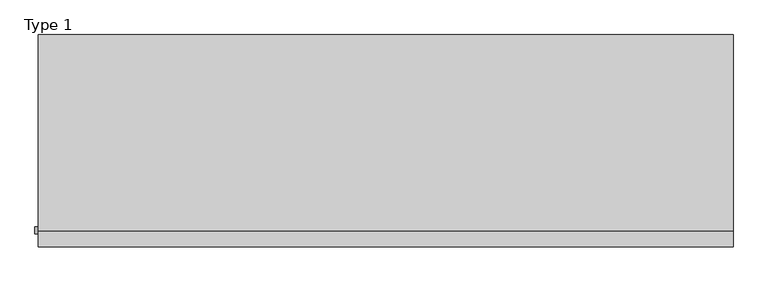
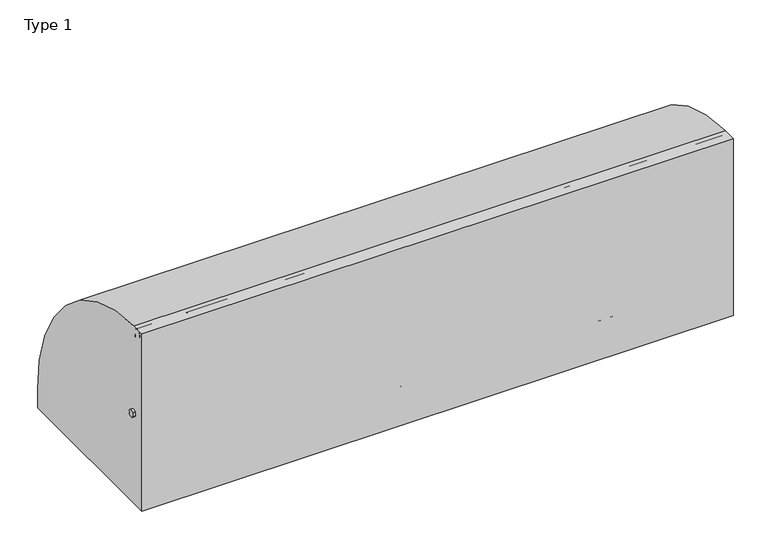
"""IFC4 building model written with IfcOpenShell, lengths in millimetres: railing geometry, Type 1."""

from ifc_helpers import new_model, si_unit, point, frame, frame_2d, origin, place, context, project, spatial, polyline, circle_curve, trimmed, segment, composite_curve, outline, extrude, source, transform, mapped, element, save
from ifc_brep_helpers import plane_surface, cylinder_surface, revolved_surface, advanced_brep


def type_1_a2499a73(model_context):
    return source(origin(), model_context, "Body", "SolidModel", [
        extrude(outline(composite_curve([segment(polyline([(-824.2, 1050.0), (-747.6546144, 1050.0)]), True, "CONTINUOUS"), segment(trimmed(circle_curve(frame_2d((-754.8273072, 108.0)), 942.0273072), [point((-747.6546144, 1050.0))], [point((187.2, 108.0))], False, "CARTESIAN"), True, "CONTINUOUS"), segment(polyline([(187.2, 108.0), (187.2, 0.0), (-824.2, 0.0), (-824.2, 1050.0)]), True, "CONTINUOUS")], self_intersect=False)), frame((-395.0, 0.0, 0.0), z_axis=(1.0, 0.0, 0.0), x_axis=(0.0, 1.0, 0.0)), (0.0, 0.0, 1.0), 3310.4852492),
        extrude(outline(composite_curve([segment(trimmed(circle_curve(frame_2d((-746.287505, 538.0)), 20.0), [point((-727.7, 530.617273))], [point((-762.0, 525.6259343))], False, "CARTESIAN"), True, "CONTINUOUS"), segment(polyline([(-762.0, 525.6259343), (-762.0, 550.3740657)]), True, "CONTINUOUS"), segment(trimmed(circle_curve(frame_2d((-746.287505, 538.0)), 20.0), [point((-762.0, 550.3740657))], [point((-727.7, 545.382727))], False, "CARTESIAN"), True, "CONTINUOUS"), segment(polyline([(-727.7, 545.382727), (-731.7, 545.382727), (-731.7, 530.617273), (-727.7, 530.617273)]), True, "CONTINUOUS")], self_intersect=False)), frame((-410.0, 0.0, 0.0), z_axis=(1.0, 0.0, 0.0), x_axis=(0.0, 1.0, 0.0)), (0.0, 0.0, 1.0), 3325.4852492),
        extrude(outline(composite_curve([segment(trimmed(circle_curve(frame_2d((-781.0, 1025.0)), 25.0), [point((-802.0, 1011.43534))], [point((-760.0, 1011.43534))], False, "CARTESIAN"), True, "CONTINUOUS"), segment(polyline([(-760.0, 1011.43534), (-760.0, 993.0), (-761.0, 993.0), (-761.0, 1008.0), (-801.0, 1008.0), (-801.0, 993.0), (-802.0, 993.0), (-802.0, 1011.43534)]), True, "CONTINUOUS")], self_intersect=False)), frame((-395.0, 0.0, 0.0), z_axis=(1.0, 0.0, 0.0), x_axis=(0.0, 1.0, 0.0)), (0.0, 0.0, 1.0), 3310.4852492),
        extrude(outline(composite_curve([segment(polyline([(-800.0, 185.0), (-767.1999123, 185.0)]), True, "CONTINUOUS"), segment(trimmed(circle_curve(frame_2d((-767.1999123, 112.1212122)), 72.8787879), [point((-767.1999123, 185.0))], [point((-715.6668272, 163.6542973))], False, "CARTESIAN"), True, "CONTINUOUS"), segment(polyline([(-715.6668272, 163.6542973), (-601.4657725, 49.4532425)]), True, "CONTINUOUS"), segment(trimmed(circle_curve(frame_2d((-609.3939394, 41.5250756)), 11.2121212), [point((-601.4657725, 49.4532425))], [point((-598.1818182, 41.5250756))], False, "CARTESIAN"), True, "CONTINUOUS"), segment(polyline([(-598.1818182, 41.5250756), (-598.1818182, 0.0), (-800.0, 0.0), (-800.0, 185.0)]), True, "CONTINUOUS")], self_intersect=False), holes=[composite_curve([segment(trimmed(circle_curve(frame_2d((-705.7014901, 93.0361975)), 5.6060606), [point((-711.3075507, 93.0361975))], [point((-700.0954295, 93.0361975))], True, "CARTESIAN"), True, "CONTINUOUS"), segment(trimmed(circle_curve(frame_2d((-778.6969697, 93.0361975)), 78.6015402), [point((-700.0954295, 93.0361975))], [point((-778.6969697, 171.6377377))], True, "CARTESIAN"), True, "CONTINUOUS"), segment(trimmed(circle_curve(frame_2d((-778.6969697, 166.0316771)), 5.6060606), [point((-778.6969697, 171.6377377))], [point((-784.3030303, 166.0316771))], True, "CARTESIAN"), True, "CONTINUOUS"), segment(polyline([(-784.3030303, 166.0316771), (-784.3030303, 143.5676849)]), True, "CONTINUOUS"), segment(trimmed(circle_curve(frame_2d((-778.6969697, 143.5676849)), 5.6060606), [point((-784.3030303, 143.5676849))], [point((-773.0909091, 143.5676849))], True, "CARTESIAN"), True, "CONTINUOUS"), segment(polyline([(-773.0909091, 143.5676849), (-773.0909091, 157.7293747)]), True, "CONTINUOUS"), segment(trimmed(circle_curve(frame_2d((-770.8668077, 157.7293747)), 2.2241014), [point((-773.0909091, 157.7293747))], [point((-770.5995631, 159.9373619))], False, "CARTESIAN"), True, "CONTINUOUS"), segment(trimmed(circle_curve(frame_2d((-778.6969697, 93.0361975)), 67.389419), [point((-770.5995631, 159.9373619))], [point((-711.3075507, 93.0361975))], False, "CARTESIAN"), True, "CONTINUOUS")], self_intersect=False)]), frame((1107.7426246, 0.0, 0.0), z_axis=(1.0, 0.0, 0.0), x_axis=(0.0, 1.0, 0.0)), (0.0, 0.0, 1.0), 2.5),
        advanced_brep(
        [(1175.2426246, -800.0, 185.0), (1175.2426246, -767.1999123, 185.0), (1175.2426246, -715.6668272, 163.6542973), (1175.2426246, -601.4657725, 49.4532425), (1175.2426246, -598.1818182, 41.5250756), (1175.2426246, -598.1818182, 0.0), (1175.2426246, -800.0, 0.0), (1175.2426246, -800.0, 100.9768515), (1175.2426246, -711.3075507, 93.0361975), (1175.2426246, -700.0954295, 93.0361975), (1175.2426246, -778.6969697, 171.6377377), (1175.2426246, -784.3030303, 166.0316771), (1175.2426246, -784.3030303, 143.5676849), (1175.2426246, -773.0909091, 143.5676849), (1175.2426246, -773.0909091, 157.7293747), (1175.2426246, -770.5995631, 159.9373619), (1177.7426246, -800.0, 0.0), (1177.7426246, -598.1818182, 0.0), (1177.7426246, -598.1818182, 41.5250756), (1177.7426246, -601.4657725, 49.4532425), (1177.7426246, -715.6668272, 163.6542973), (1177.7426246, -767.1999123, 185.0), (1177.7426246, -802.0, 185.0), (1177.7426246, -802.0, 100.9768515), (1177.7426246, -800.0, 100.9768515), (1177.7426246, -711.3075507, 93.0361975), (1177.7426246, -770.5995631, 159.9373619), (1177.7426246, -773.0909091, 157.7293747), (1177.7426246, -773.0909091, 143.5676849), (1177.7426246, -784.3030303, 143.5676849), (1177.7426246, -784.3030303, 166.0316771), (1177.7426246, -778.6969697, 171.6377377), (1177.7426246, -700.0954295, 93.0361975), (1107.7426246, -800.0, 185.0), (1107.7426246, -802.0, 185.0), (1107.7426246, -802.0, 100.9768515), (1107.7426246, -800.0, 100.9768515)],
        [
            (0, 1),
            (1, 2, circle_curve(frame((1175.2426246, -767.1999123, 112.1212122), z_axis=(-1.0, 0.0, 0.0), x_axis=(0.0, -1.0, 0.0)), 72.8787879)),
            (2, 3),
            (3, 4, circle_curve(frame((1175.2426246, -609.3939394, 41.5250756), z_axis=(-1.0, 0.0, 0.0), x_axis=(0.0, -1.0, 0.0)), 11.2121212)),
            (4, 5),
            (5, 6),
            (6, 7),
            (7, 0),
            (8, 9, circle_curve(frame((1175.2426246, -705.7014901, 93.0361975), z_axis=(1.0, 0.0, 0.0), x_axis=(0.0, -1.0, 0.0)), 5.6060606)),
            (9, 10, circle_curve(frame((1175.2426246, -778.6969697, 93.0361975), z_axis=(1.0, 0.0, 0.0), x_axis=(0.0, -1.0, 0.0)), 78.6015402)),
            (10, 11, circle_curve(frame((1175.2426246, -778.6969697, 166.0316771), z_axis=(1.0, 0.0, 0.0), x_axis=(0.0, -1.0, 0.0)), 5.6060606)),
            (11, 12),
            (12, 13, circle_curve(frame((1175.2426246, -778.6969697, 143.5676849), z_axis=(1.0, 0.0, 0.0), x_axis=(0.0, -1.0, 0.0)), 5.6060606)),
            (13, 14),
            (14, 15, circle_curve(frame((1175.2426246, -770.8668077, 157.7293747), z_axis=(-1.0, 0.0, 0.0), x_axis=(0.0, -1.0, 0.0)), 2.2241014)),
            (15, 8, circle_curve(frame((1175.2426246, -778.6969697, 93.0361975), z_axis=(-1.0, 0.0, 0.0), x_axis=(0.0, -1.0, 0.0)), 67.389419)),
            (16, 17),
            (17, 18),
            (18, 19, circle_curve(frame((1177.7426246, -609.3939394, 41.5250756), z_axis=(1.0, 0.0, 0.0), x_axis=(0.0, -1.0, 0.0)), 11.2121212)),
            (19, 20),
            (20, 21, circle_curve(frame((1177.7426246, -767.1999123, 112.1212122), z_axis=(1.0, 0.0, 0.0), x_axis=(0.0, -1.0, 0.0)), 72.8787879)),
            (21, 22),
            (22, 23),
            (23, 24),
            (24, 16),
            (25, 26, circle_curve(frame((1177.7426246, -778.6969697, 93.0361975), z_axis=(1.0, 0.0, 0.0), x_axis=(0.0, -1.0, 0.0)), 67.389419)),
            (26, 27, circle_curve(frame((1177.7426246, -770.8668077, 157.7293747), z_axis=(1.0, 0.0, 0.0), x_axis=(0.0, -1.0, 0.0)), 2.2241014)),
            (27, 28),
            (28, 29, circle_curve(frame((1177.7426246, -778.6969697, 143.5676849), z_axis=(-1.0, 0.0, 0.0), x_axis=(0.0, -1.0, 0.0)), 5.6060606)),
            (29, 30),
            (30, 31, circle_curve(frame((1177.7426246, -778.6969697, 166.0316771), z_axis=(-1.0, 0.0, 0.0), x_axis=(0.0, -1.0, 0.0)), 5.6060606)),
            (31, 32, circle_curve(frame((1177.7426246, -778.6969697, 93.0361975), z_axis=(-1.0, 0.0, 0.0), x_axis=(0.0, -1.0, 0.0)), 78.6015402)),
            (32, 25, circle_curve(frame((1177.7426246, -705.7014901, 93.0361975), z_axis=(-1.0, 0.0, 0.0), x_axis=(0.0, -1.0, 0.0)), 5.6060606)),
            (0, 33),
            (33, 34),
            (34, 22),
            (21, 1),
            (20, 2),
            (19, 3),
            (18, 4),
            (17, 5),
            (16, 6),
            (24, 7),
            (8, 25),
            (32, 9),
            (31, 10),
            (30, 11),
            (15, 26),
            (29, 12),
            (28, 13),
            (27, 14),
            (34, 35),
            (35, 23),
            (36, 33),
            (7, 36),
            (36, 35),
        ],
        [
            plane_surface(frame((1175.2426246, -798.2270223, 185.0), z_axis=(-1.0, 0.0, 0.0), x_axis=(0.0, 1.0, 0.0))),
            plane_surface(frame((1177.7426246, -798.2270223, 185.0), z_axis=(1.0, 0.0, 0.0), x_axis=(0.0, -1.0, 0.0))),
            plane_surface(frame((1175.2426246, -800.0, 185.0), z_axis=(0.0, 0.0, 1.0), x_axis=(1.0, 0.0, 0.0))),
            cylinder_surface(frame((1177.7426246, -767.1999123, 112.1212122), z_axis=(-1.0, 0.0, 0.0), x_axis=(0.0, -1.0, 0.0)), 72.8787879),
            plane_surface(frame((1175.2426246, -715.6668272, 163.6542973), z_axis=(0.0, 0.7071067811865421, 0.7071067811865529), x_axis=(1.0, 0.0, 0.0))),
            cylinder_surface(frame((1177.7426246, -609.3939394, 41.5250756), z_axis=(-1.0, 0.0, 0.0), x_axis=(0.0, -1.0, 0.0)), 11.2121212),
            plane_surface(frame((1175.2426246, -598.1818182, 41.5250756), z_axis=(0.0, 1.0, 0.0), x_axis=(1.0, 0.0, 0.0))),
            plane_surface(frame((1175.2426246, -598.1818182, 0.0), z_axis=(0.0, 0.0, -1.0), x_axis=(1.0, 0.0, 0.0))),
            plane_surface(frame((1175.2426246, -800.0, 0.0), z_axis=(0.0, -1.0, 0.0), x_axis=(1.0, 0.0, 0.0))),
            revolved_surface(polyline([(1177.7426246, -711.3075507, 93.0361975), (1175.2426246, -711.3075507, 93.0361975)]), (1177.7426246, -705.7014901, 93.0361975), (1.0, 0.0, 0.0)),
            revolved_surface(polyline([(1177.7426246, -857.2985099, 93.0361975), (1175.2426246, -857.2985099, 93.0361975)]), (1177.7426246, -778.6969697, 93.0361975), (1.0, 0.0, 0.0)),
            revolved_surface(polyline([(1177.7426246, -784.3030302999999, 166.0316771), (1175.2426246, -784.3030302999999, 166.0316771)]), (1177.7426246, -778.6969697, 166.0316771), (1.0, 0.0, 0.0)),
            cylinder_surface(frame((1177.7426246, -778.6969697, 93.0361975), z_axis=(-1.0, 0.0, 0.0), x_axis=(0.0, -1.0, 0.0)), 67.389419),
            plane_surface(frame((1175.2426246, -784.3030303, 166.0316771), z_axis=(0.0, 1.0, 0.0), x_axis=(1.0, 0.0, 0.0))),
            revolved_surface(polyline([(1177.7426246, -784.3030302999999, 143.5676849), (1175.2426246, -784.3030302999999, 143.5676849)]), (1177.7426246, -778.6969697, 143.5676849), (1.0, 0.0, 0.0)),
            plane_surface(frame((1175.2426246, -773.0909091, 143.5676849), z_axis=(0.0, -1.0, 0.0), x_axis=(1.0, 0.0, 0.0))),
            cylinder_surface(frame((1177.7426246, -770.8668077, 157.7293747), z_axis=(-1.0, 0.0, 0.0), x_axis=(0.0, -1.0, 0.0)), 2.2241014),
            plane_surface(frame((1107.7426246, -802.0, 185.0), z_axis=(0.0, -1.0, 0.0), x_axis=(-1.0, 0.0, 0.0))),
            plane_surface(frame((1107.7426246, -800.0, 185.0), z_axis=(0.0, 1.0, 0.0), x_axis=(1.0, 0.0, 0.0))),
            plane_surface(frame((1107.7426246, -802.0, 185.0), z_axis=(-1.0, 0.0, 0.0), x_axis=(0.0, 1.0, 0.0))),
            plane_surface(frame((1107.7426246, -802.0, 100.9768515), z_axis=(0.0, 0.0, -1.0), x_axis=(0.0, 1.0, 0.0))),
        ],
        [
            (0, [[1, 2, 3, 4, 5, 6, 7, 8], [9, 10, 11, 12, 13, 14, 15, 16]]),
            (1, [[17, 18, 19, 20, 21, 22, 23, 24, 25], [26, 27, 28, 29, 30, 31, 32, 33]]),
            (2, [[-1, 34, 35, 36, -22, 37]]),
            (3, [[-2, -37, -21, 38]]),
            (4, [[-3, -38, -20, 39]]),
            (5, [[-4, -39, -19, 40]]),
            (6, [[-5, -40, -18, 41]]),
            (7, [[-6, -41, -17, 42]]),
            (8, [[-42, -25, 43, -7]]),
            (9, [[-9, 44, -33, 45]]),
            (10, [[-10, -45, -32, 46]]),
            (11, [[-11, -46, -31, 47]]),
            (12, [[-16, 48, -26, -44]]),
            (13, [[-12, -47, -30, 49]]),
            (14, [[-13, -49, -29, 50]]),
            (15, [[-14, -50, -28, 51]]),
            (16, [[-15, -51, -27, -48]]),
            (17, [[-36, 52, 53, -23]]),
            (18, [[54, -34, -8, 55]]),
            (19, [[-52, -35, -54, 56]]),
            (20, [[-53, -56, -55, -43, -24]]),
        ],
    ),
        extrude(outline(composite_curve([segment(trimmed(circle_curve(frame_2d((1119.7426246, -795.0)), 5.0), [point((1119.7426246, -800.0))], [point((1114.7426246, -795.0))], False, "CARTESIAN"), True, "CONTINUOUS"), segment(polyline([(1114.7426246, -795.0), (1114.7426246, -767.0)]), True, "CONTINUOUS"), segment(trimmed(circle_curve(frame_2d((1119.7426246, -767.0)), 5.0), [point((1114.7426246, -767.0))], [point((1119.7426246, -762.0))], False, "CARTESIAN"), True, "CONTINUOUS"), segment(polyline([(1119.7426246, -762.0), (1165.7426246, -762.0)]), True, "CONTINUOUS"), segment(trimmed(circle_curve(frame_2d((1165.7426246, -767.0)), 5.0), [point((1165.7426246, -762.0))], [point((1170.7426246, -767.0))], False, "CARTESIAN"), True, "CONTINUOUS"), segment(polyline([(1170.7426246, -767.0), (1170.7426246, -795.0)]), True, "CONTINUOUS"), segment(trimmed(circle_curve(frame_2d((1165.7426246, -795.0)), 5.0), [point((1170.7426246, -795.0))], [point((1165.7426246, -800.0))], False, "CARTESIAN"), True, "CONTINUOUS"), segment(polyline([(1165.7426246, -800.0), (1119.7426246, -800.0)]), True, "CONTINUOUS")], self_intersect=False)), frame((0.0, 0.0, 43.0), z_axis=(0.0, 0.0, 1.0), x_axis=(1.0, 0.0, 0.0)), (0.0, 0.0, 1.0), 965.0),
        extrude(outline(composite_curve([segment(polyline([(0.0, 1175.2426246), (36.5, 1175.2426246)]), True, "CONTINUOUS"), segment(trimmed(circle_curve(frame_2d((36.5, 1173.7426246)), 1.5), [point((36.5, 1175.2426246))], [point((36.5, 1172.2426246))], False, "CARTESIAN"), True, "CONTINUOUS"), segment(polyline([(36.5, 1172.2426246), (3.0, 1172.2426246), (3.0, 1113.2426246), (36.5, 1113.2426246)]), True, "CONTINUOUS"), segment(trimmed(circle_curve(frame_2d((36.5, 1111.7426246)), 1.5), [point((36.5, 1113.2426246))], [point((36.5, 1110.2426246))], False, "CARTESIAN"), True, "CONTINUOUS"), segment(polyline([(36.5, 1110.2426246), (0.0, 1110.2426246), (0.0, 1175.2426246)]), True, "CONTINUOUS")], self_intersect=False)), frame((0.0, -800.0, 0.0), z_axis=(0.0, 1.0, 0.0), x_axis=(0.0, 0.0, 1.0)), (0.0, 0.0, 1.0), 800.0),
        extrude(outline(composite_curve([segment(polyline([(-800.0, 185.0), (-767.1999123, 185.0)]), True, "CONTINUOUS"), segment(trimmed(circle_curve(frame_2d((-767.1999123, 112.1212122)), 72.8787879), [point((-767.1999123, 185.0))], [point((-715.6668272, 163.6542973))], False, "CARTESIAN"), True, "CONTINUOUS"), segment(polyline([(-715.6668272, 163.6542973), (-601.4657725, 49.4532425)]), True, "CONTINUOUS"), segment(trimmed(circle_curve(frame_2d((-609.3939394, 41.5250756)), 11.2121212), [point((-601.4657725, 49.4532425))], [point((-598.1818182, 41.5250756))], False, "CARTESIAN"), True, "CONTINUOUS"), segment(polyline([(-598.1818182, 41.5250756), (-598.1818182, 0.0), (-800.0, 0.0), (-800.0, 185.0)]), True, "CONTINUOUS")], self_intersect=False), holes=[composite_curve([segment(trimmed(circle_curve(frame_2d((-705.7014901, 93.0361975)), 5.6060606), [point((-711.3075507, 93.0361975))], [point((-700.0954295, 93.0361975))], True, "CARTESIAN"), True, "CONTINUOUS"), segment(trimmed(circle_curve(frame_2d((-778.6969697, 93.0361975)), 78.6015402), [point((-700.0954295, 93.0361975))], [point((-778.6969697, 171.6377377))], True, "CARTESIAN"), True, "CONTINUOUS"), segment(trimmed(circle_curve(frame_2d((-778.6969697, 166.0316771)), 5.6060606), [point((-778.6969697, 171.6377377))], [point((-784.3030303, 166.0316771))], True, "CARTESIAN"), True, "CONTINUOUS"), segment(polyline([(-784.3030303, 166.0316771), (-784.3030303, 143.5676849)]), True, "CONTINUOUS"), segment(trimmed(circle_curve(frame_2d((-778.6969697, 143.5676849)), 5.6060606), [point((-784.3030303, 143.5676849))], [point((-773.0909091, 143.5676849))], True, "CARTESIAN"), True, "CONTINUOUS"), segment(polyline([(-773.0909091, 143.5676849), (-773.0909091, 157.7293747)]), True, "CONTINUOUS"), segment(trimmed(circle_curve(frame_2d((-770.8668077, 157.7293747)), 2.2241014), [point((-773.0909091, 157.7293747))], [point((-770.5995631, 159.9373619))], False, "CARTESIAN"), True, "CONTINUOUS"), segment(trimmed(circle_curve(frame_2d((-778.6969697, 93.0361975)), 67.389419), [point((-770.5995631, 159.9373619))], [point((-711.3075507, 93.0361975))], False, "CARTESIAN"), True, "CONTINUOUS")], self_intersect=False)]), frame((2222.4852492, 0.0, 0.0), z_axis=(1.0, 0.0, 0.0), x_axis=(0.0, 1.0, 0.0)), (0.0, 0.0, 1.0), 2.5),
        advanced_brep(
        [(2289.9852492, -800.0, 185.0), (2289.9852492, -767.1999123, 185.0), (2289.9852492, -715.6668272, 163.6542973), (2289.9852492, -601.4657725, 49.4532425), (2289.9852492, -598.1818182, 41.5250756), (2289.9852492, -598.1818182, 0.0), (2289.9852492, -800.0, 0.0), (2289.9852492, -800.0, 100.9768515), (2289.9852492, -711.3075507, 93.0361975), (2289.9852492, -700.0954295, 93.0361975), (2289.9852492, -778.6969697, 171.6377377), (2289.9852492, -784.3030303, 166.0316771), (2289.9852492, -784.3030303, 143.5676849), (2289.9852492, -773.0909091, 143.5676849), (2289.9852492, -773.0909091, 157.7293747), (2289.9852492, -770.5995631, 159.9373619), (2292.4852492, -800.0, 0.0), (2292.4852492, -598.1818182, 0.0), (2292.4852492, -598.1818182, 41.5250756), (2292.4852492, -601.4657725, 49.4532425), (2292.4852492, -715.6668272, 163.6542973), (2292.4852492, -767.1999123, 185.0), (2292.4852492, -802.0, 185.0), (2292.4852492, -802.0, 100.9768515), (2292.4852492, -800.0, 100.9768515), (2292.4852492, -711.3075507, 93.0361975), (2292.4852492, -770.5995631, 159.9373619), (2292.4852492, -773.0909091, 157.7293747), (2292.4852492, -773.0909091, 143.5676849), (2292.4852492, -784.3030303, 143.5676849), (2292.4852492, -784.3030303, 166.0316771), (2292.4852492, -778.6969697, 171.6377377), (2292.4852492, -700.0954295, 93.0361975), (2222.4852492, -800.0, 185.0), (2222.4852492, -802.0, 185.0), (2222.4852492, -802.0, 100.9768515), (2222.4852492, -800.0, 100.9768515)],
        [
            (0, 1),
            (1, 2, circle_curve(frame((2289.9852492, -767.1999123, 112.1212122), z_axis=(-1.0, 0.0, 0.0), x_axis=(0.0, -1.0, 0.0)), 72.8787879)),
            (2, 3),
            (3, 4, circle_curve(frame((2289.9852492, -609.3939394, 41.5250756), z_axis=(-1.0, 0.0, 0.0), x_axis=(0.0, -1.0, 0.0)), 11.2121212)),
            (4, 5),
            (5, 6),
            (6, 7),
            (7, 0),
            (8, 9, circle_curve(frame((2289.9852492, -705.7014901, 93.0361975), z_axis=(1.0, 0.0, 0.0), x_axis=(0.0, -1.0, 0.0)), 5.6060606)),
            (9, 10, circle_curve(frame((2289.9852492, -778.6969697, 93.0361975), z_axis=(1.0, 0.0, 0.0), x_axis=(0.0, -1.0, 0.0)), 78.6015402)),
            (10, 11, circle_curve(frame((2289.9852492, -778.6969697, 166.0316771), z_axis=(1.0, 0.0, 0.0), x_axis=(0.0, -1.0, 0.0)), 5.6060606)),
            (11, 12),
            (12, 13, circle_curve(frame((2289.9852492, -778.6969697, 143.5676849), z_axis=(1.0, 0.0, 0.0), x_axis=(0.0, -1.0, 0.0)), 5.6060606)),
            (13, 14),
            (14, 15, circle_curve(frame((2289.9852492, -770.8668077, 157.7293747), z_axis=(-1.0, 0.0, 0.0), x_axis=(0.0, -1.0, 0.0)), 2.2241014)),
            (15, 8, circle_curve(frame((2289.9852492, -778.6969697, 93.0361975), z_axis=(-1.0, 0.0, 0.0), x_axis=(0.0, -1.0, 0.0)), 67.389419)),
            (16, 17),
            (17, 18),
            (18, 19, circle_curve(frame((2292.4852492, -609.3939394, 41.5250756), z_axis=(1.0, 0.0, 0.0), x_axis=(0.0, -1.0, 0.0)), 11.2121212)),
            (19, 20),
            (20, 21, circle_curve(frame((2292.4852492, -767.1999123, 112.1212122), z_axis=(1.0, 0.0, 0.0), x_axis=(0.0, -1.0, 0.0)), 72.8787879)),
            (21, 22),
            (22, 23),
            (23, 24),
            (24, 16),
            (25, 26, circle_curve(frame((2292.4852492, -778.6969697, 93.0361975), z_axis=(1.0, 0.0, 0.0), x_axis=(0.0, -1.0, 0.0)), 67.389419)),
            (26, 27, circle_curve(frame((2292.4852492, -770.8668077, 157.7293747), z_axis=(1.0, 0.0, 0.0), x_axis=(0.0, -1.0, 0.0)), 2.2241014)),
            (27, 28),
            (28, 29, circle_curve(frame((2292.4852492, -778.6969697, 143.5676849), z_axis=(-1.0, 0.0, 0.0), x_axis=(0.0, -1.0, 0.0)), 5.6060606)),
            (29, 30),
            (30, 31, circle_curve(frame((2292.4852492, -778.6969697, 166.0316771), z_axis=(-1.0, 0.0, 0.0), x_axis=(0.0, -1.0, 0.0)), 5.6060606)),
            (31, 32, circle_curve(frame((2292.4852492, -778.6969697, 93.0361975), z_axis=(-1.0, 0.0, 0.0), x_axis=(0.0, -1.0, 0.0)), 78.6015402)),
            (32, 25, circle_curve(frame((2292.4852492, -705.7014901, 93.0361975), z_axis=(-1.0, 0.0, 0.0), x_axis=(0.0, -1.0, 0.0)), 5.6060606)),
            (0, 33),
            (33, 34),
            (34, 22),
            (21, 1),
            (20, 2),
            (19, 3),
            (18, 4),
            (17, 5),
            (16, 6),
            (24, 7),
            (8, 25),
            (32, 9),
            (31, 10),
            (30, 11),
            (15, 26),
            (29, 12),
            (28, 13),
            (27, 14),
            (34, 35),
            (35, 23),
            (36, 33),
            (7, 36),
            (36, 35),
        ],
        [
            plane_surface(frame((2289.9852492, -798.2270223, 185.0), z_axis=(-1.0, 0.0, 0.0), x_axis=(0.0, 1.0, 0.0))),
            plane_surface(frame((2292.4852492, -798.2270223, 185.0), z_axis=(1.0, 0.0, 0.0), x_axis=(0.0, -1.0, 0.0))),
            plane_surface(frame((2289.9852492, -800.0, 185.0), z_axis=(0.0, 0.0, 1.0), x_axis=(1.0, 0.0, 0.0))),
            cylinder_surface(frame((2292.4852492, -767.1999123, 112.1212122), z_axis=(-1.0, 0.0, 0.0), x_axis=(0.0, -1.0, 0.0)), 72.8787879),
            plane_surface(frame((2289.9852492, -715.6668272, 163.6542973), z_axis=(0.0, 0.7071067811865421, 0.7071067811865529), x_axis=(1.0, 0.0, 0.0))),
            cylinder_surface(frame((2292.4852492, -609.3939394, 41.5250756), z_axis=(-1.0, 0.0, 0.0), x_axis=(0.0, -1.0, 0.0)), 11.2121212),
            plane_surface(frame((2289.9852492, -598.1818182, 41.5250756), z_axis=(0.0, 1.0, 0.0), x_axis=(1.0, 0.0, 0.0))),
            plane_surface(frame((2289.9852492, -598.1818182, 0.0), z_axis=(0.0, 0.0, -1.0), x_axis=(1.0, 0.0, 0.0))),
            plane_surface(frame((2289.9852492, -800.0, 0.0), z_axis=(0.0, -1.0, 0.0), x_axis=(1.0, 0.0, 0.0))),
            revolved_surface(polyline([(2292.4852492, -711.3075507, 93.0361975), (2289.9852492, -711.3075507, 93.0361975)]), (2292.4852492, -705.7014901, 93.0361975), (1.0, 0.0, 0.0)),
            revolved_surface(polyline([(2292.4852492, -857.2985099, 93.0361975), (2289.9852492, -857.2985099, 93.0361975)]), (2292.4852492, -778.6969697, 93.0361975), (1.0, 0.0, 0.0)),
            revolved_surface(polyline([(2292.4852492, -784.3030302999999, 166.0316771), (2289.9852492, -784.3030302999999, 166.0316771)]), (2292.4852492, -778.6969697, 166.0316771), (1.0, 0.0, 0.0)),
            cylinder_surface(frame((2292.4852492, -778.6969697, 93.0361975), z_axis=(-1.0, 0.0, 0.0), x_axis=(0.0, -1.0, 0.0)), 67.389419),
            plane_surface(frame((2289.9852492, -784.3030303, 166.0316771), z_axis=(0.0, 1.0, 0.0), x_axis=(1.0, 0.0, 0.0))),
            revolved_surface(polyline([(2292.4852492, -784.3030302999999, 143.5676849), (2289.9852492, -784.3030302999999, 143.5676849)]), (2292.4852492, -778.6969697, 143.5676849), (1.0, 0.0, 0.0)),
            plane_surface(frame((2289.9852492, -773.0909091, 143.5676849), z_axis=(0.0, -1.0, 0.0), x_axis=(1.0, 0.0, 0.0))),
            cylinder_surface(frame((2292.4852492, -770.8668077, 157.7293747), z_axis=(-1.0, 0.0, 0.0), x_axis=(0.0, -1.0, 0.0)), 2.2241014),
            plane_surface(frame((2222.4852492, -802.0, 185.0), z_axis=(0.0, -1.0, 0.0), x_axis=(-1.0, 0.0, 0.0))),
            plane_surface(frame((2222.4852492, -800.0, 185.0), z_axis=(0.0, 1.0, 0.0), x_axis=(1.0, 0.0, 0.0))),
            plane_surface(frame((2222.4852492, -802.0, 185.0), z_axis=(-1.0, 0.0, 0.0), x_axis=(0.0, 1.0, 0.0))),
            plane_surface(frame((2222.4852492, -802.0, 100.9768515), z_axis=(0.0, 0.0, -1.0), x_axis=(0.0, 1.0, 0.0))),
        ],
        [
            (0, [[1, 2, 3, 4, 5, 6, 7, 8], [9, 10, 11, 12, 13, 14, 15, 16]]),
            (1, [[17, 18, 19, 20, 21, 22, 23, 24, 25], [26, 27, 28, 29, 30, 31, 32, 33]]),
            (2, [[-1, 34, 35, 36, -22, 37]]),
            (3, [[-2, -37, -21, 38]]),
            (4, [[-3, -38, -20, 39]]),
            (5, [[-4, -39, -19, 40]]),
            (6, [[-5, -40, -18, 41]]),
            (7, [[-6, -41, -17, 42]]),
            (8, [[-42, -25, 43, -7]]),
            (9, [[-9, 44, -33, 45]]),
            (10, [[-10, -45, -32, 46]]),
            (11, [[-11, -46, -31, 47]]),
            (12, [[-16, 48, -26, -44]]),
            (13, [[-12, -47, -30, 49]]),
            (14, [[-13, -49, -29, 50]]),
            (15, [[-14, -50, -28, 51]]),
            (16, [[-15, -51, -27, -48]]),
            (17, [[-36, 52, 53, -23]]),
            (18, [[54, -34, -8, 55]]),
            (19, [[-52, -35, -54, 56]]),
            (20, [[-53, -56, -55, -43, -24]]),
        ],
    ),
        extrude(outline(composite_curve([segment(trimmed(circle_curve(frame_2d((2234.4852492, -795.0)), 5.0), [point((2234.4852492, -800.0))], [point((2229.4852492, -795.0))], False, "CARTESIAN"), True, "CONTINUOUS"), segment(polyline([(2229.4852492, -795.0), (2229.4852492, -767.0)]), True, "CONTINUOUS"), segment(trimmed(circle_curve(frame_2d((2234.4852492, -767.0)), 5.0), [point((2229.4852492, -767.0))], [point((2234.4852492, -762.0))], False, "CARTESIAN"), True, "CONTINUOUS"), segment(polyline([(2234.4852492, -762.0), (2280.4852492, -762.0)]), True, "CONTINUOUS"), segment(trimmed(circle_curve(frame_2d((2280.4852492, -767.0)), 5.0), [point((2280.4852492, -762.0))], [point((2285.4852492, -767.0))], False, "CARTESIAN"), True, "CONTINUOUS"), segment(polyline([(2285.4852492, -767.0), (2285.4852492, -795.0)]), True, "CONTINUOUS"), segment(trimmed(circle_curve(frame_2d((2280.4852492, -795.0)), 5.0), [point((2285.4852492, -795.0))], [point((2280.4852492, -800.0))], False, "CARTESIAN"), True, "CONTINUOUS"), segment(polyline([(2280.4852492, -800.0), (2234.4852492, -800.0)]), True, "CONTINUOUS")], self_intersect=False)), frame((0.0, 0.0, 43.0), z_axis=(0.0, 0.0, 1.0), x_axis=(1.0, 0.0, 0.0)), (0.0, 0.0, 1.0), 965.0),
        extrude(outline(composite_curve([segment(polyline([(0.0, 2289.9852492), (36.5, 2289.9852492)]), True, "CONTINUOUS"), segment(trimmed(circle_curve(frame_2d((36.5, 2288.4852492)), 1.5), [point((36.5, 2289.9852492))], [point((36.5, 2286.9852492))], False, "CARTESIAN"), True, "CONTINUOUS"), segment(polyline([(36.5, 2286.9852492), (3.0, 2286.9852492), (3.0, 2227.9852492), (36.5, 2227.9852492)]), True, "CONTINUOUS"), segment(trimmed(circle_curve(frame_2d((36.5, 2226.4852492)), 1.5), [point((36.5, 2227.9852492))], [point((36.5, 2224.9852492))], False, "CARTESIAN"), True, "CONTINUOUS"), segment(polyline([(36.5, 2224.9852492), (0.0, 2224.9852492), (0.0, 2289.9852492)]), True, "CONTINUOUS")], self_intersect=False)), frame((0.0, -800.0, 0.0), z_axis=(0.0, 1.0, 0.0), x_axis=(0.0, 0.0, 1.0)), (0.0, 0.0, 1.0), 800.0),
        extrude(outline(composite_curve([segment(polyline([(-800.0, 185.0), (-767.1999123, 185.0)]), True, "CONTINUOUS"), segment(trimmed(circle_curve(frame_2d((-767.1999123, 112.1212121)), 72.8787879), [point((-767.1999123, 185.0))], [point((-715.6668272, 163.6542972))], False, "CARTESIAN"), True, "CONTINUOUS"), segment(polyline([(-715.6668272, 163.6542972), (-601.4657725, 49.4532425)]), True, "CONTINUOUS"), segment(trimmed(circle_curve(frame_2d((-609.3939394, 41.5250755)), 11.2121212), [point((-601.4657725, 49.4532425))], [point((-598.1818182, 41.5250755))], False, "CARTESIAN"), True, "CONTINUOUS"), segment(polyline([(-598.1818182, 41.5250755), (-598.1818182, 0.0), (-800.0, 0.0), (-800.0, 185.0)]), True, "CONTINUOUS")], self_intersect=False), holes=[composite_curve([segment(trimmed(circle_curve(frame_2d((-705.7014901, 93.0361974)), 5.6060606), [point((-711.3075507, 93.0361974))], [point((-700.0954295, 93.0361974))], True, "CARTESIAN"), True, "CONTINUOUS"), segment(trimmed(circle_curve(frame_2d((-778.6969697, 93.0361974)), 78.6015402), [point((-700.0954295, 93.0361974))], [point((-778.6969697, 171.6377376))], True, "CARTESIAN"), True, "CONTINUOUS"), segment(trimmed(circle_curve(frame_2d((-778.6969697, 166.031677)), 5.6060606), [point((-778.6969697, 171.6377376))], [point((-784.3030303, 166.031677))], True, "CARTESIAN"), True, "CONTINUOUS"), segment(polyline([(-784.3030303, 166.031677), (-784.3030303, 143.5676849)]), True, "CONTINUOUS"), segment(trimmed(circle_curve(frame_2d((-778.6969697, 143.5676849)), 5.6060606), [point((-784.3030303, 143.5676849))], [point((-773.0909091, 143.5676849))], True, "CARTESIAN"), True, "CONTINUOUS"), segment(polyline([(-773.0909091, 143.5676849), (-773.0909091, 157.7293746)]), True, "CONTINUOUS"), segment(trimmed(circle_curve(frame_2d((-770.8668077, 157.7293746)), 2.2241014), [point((-773.0909091, 157.7293746))], [point((-770.5995631, 159.9373618))], False, "CARTESIAN"), True, "CONTINUOUS"), segment(trimmed(circle_curve(frame_2d((-778.6969697, 93.0361974)), 67.389419), [point((-770.5995631, 159.9373618))], [point((-711.3075507, 93.0361974))], False, "CARTESIAN"), True, "CONTINUOUS")], self_intersect=False)]), frame((-7.0, 0.0, 0.0), z_axis=(1.0, 0.0, 0.0), x_axis=(0.0, 1.0, 0.0)), (0.0, 0.0, 1.0), 2.5),
        advanced_brep(
        [(60.5, -800.0, 185.0), (60.5, -767.1999123, 185.0), (60.5, -715.6668272, 163.6542972), (60.5, -601.4657725, 49.4532425), (60.5, -598.1818182, 41.5250755), (60.5, -598.1818182, 0.0), (60.5, -800.0, 0.0), (60.5, -800.0, 100.9768514), (60.5, -711.3075507, 93.0361974), (60.5, -700.0954295, 93.0361974), (60.5, -778.6969697, 171.6377376), (60.5, -784.3030303, 166.031677), (60.5, -784.3030303, 143.5676849), (60.5, -773.0909091, 143.5676849), (60.5, -773.0909091, 157.7293746), (60.5, -770.5995631, 159.9373618), (63.0, -800.0, 0.0), (63.0, -598.1818182, 0.0), (63.0, -598.1818182, 41.5250755), (63.0, -601.4657725, 49.4532425), (63.0, -715.6668272, 163.6542972), (63.0, -767.1999123, 185.0), (63.0, -802.0, 185.0), (63.0, -802.0, 100.9768514), (63.0, -800.0, 100.9768514), (63.0, -711.3075507, 93.0361974), (63.0, -770.5995631, 159.9373618), (63.0, -773.0909091, 157.7293746), (63.0, -773.0909091, 143.5676849), (63.0, -784.3030303, 143.5676849), (63.0, -784.3030303, 166.031677), (63.0, -778.6969697, 171.6377376), (63.0, -700.0954295, 93.0361974), (-7.0, -800.0, 185.0), (-7.0, -802.0, 185.0), (-7.0, -802.0, 100.9768514), (-7.0, -800.0, 100.9768514)],
        [
            (0, 1),
            (1, 2, circle_curve(frame((60.5, -767.1999123, 112.1212121), z_axis=(-1.0, 0.0, 0.0), x_axis=(0.0, -1.0, 0.0)), 72.8787879)),
            (2, 3),
            (3, 4, circle_curve(frame((60.5, -609.3939394, 41.5250755), z_axis=(-1.0, 0.0, 0.0), x_axis=(0.0, -1.0, 0.0)), 11.2121212)),
            (4, 5),
            (5, 6),
            (6, 7),
            (7, 0),
            (8, 9, circle_curve(frame((60.5, -705.7014901, 93.0361974), z_axis=(1.0, 0.0, 0.0), x_axis=(0.0, -1.0, 0.0)), 5.6060606)),
            (9, 10, circle_curve(frame((60.5, -778.6969697, 93.0361974), z_axis=(1.0, 0.0, 0.0), x_axis=(0.0, -1.0, 0.0)), 78.6015402)),
            (10, 11, circle_curve(frame((60.5, -778.6969697, 166.031677), z_axis=(1.0, 0.0, 0.0), x_axis=(0.0, -1.0, 0.0)), 5.6060606)),
            (11, 12),
            (12, 13, circle_curve(frame((60.5, -778.6969697, 143.5676849), z_axis=(1.0, 0.0, 0.0), x_axis=(0.0, -1.0, 0.0)), 5.6060606)),
            (13, 14),
            (14, 15, circle_curve(frame((60.5, -770.8668077, 157.7293746), z_axis=(-1.0, 0.0, 0.0), x_axis=(0.0, -1.0, 0.0)), 2.2241014)),
            (15, 8, circle_curve(frame((60.5, -778.6969697, 93.0361974), z_axis=(-1.0, 0.0, 0.0), x_axis=(0.0, -1.0, 0.0)), 67.389419)),
            (16, 17),
            (17, 18),
            (18, 19, circle_curve(frame((63.0, -609.3939394, 41.5250755), z_axis=(1.0, 0.0, 0.0), x_axis=(0.0, -1.0, 0.0)), 11.2121212)),
            (19, 20),
            (20, 21, circle_curve(frame((63.0, -767.1999123, 112.1212121), z_axis=(1.0, 0.0, 0.0), x_axis=(0.0, -1.0, 0.0)), 72.8787879)),
            (21, 22),
            (22, 23),
            (23, 24),
            (24, 16),
            (25, 26, circle_curve(frame((63.0, -778.6969697, 93.0361974), z_axis=(1.0, 0.0, 0.0), x_axis=(0.0, -1.0, 0.0)), 67.389419)),
            (26, 27, circle_curve(frame((63.0, -770.8668077, 157.7293746), z_axis=(1.0, 0.0, 0.0), x_axis=(0.0, -1.0, 0.0)), 2.2241014)),
            (27, 28),
            (28, 29, circle_curve(frame((63.0, -778.6969697, 143.5676849), z_axis=(-1.0, 0.0, 0.0), x_axis=(0.0, -1.0, 0.0)), 5.6060606)),
            (29, 30),
            (30, 31, circle_curve(frame((63.0, -778.6969697, 166.031677), z_axis=(-1.0, 0.0, 0.0), x_axis=(0.0, -1.0, 0.0)), 5.6060606)),
            (31, 32, circle_curve(frame((63.0, -778.6969697, 93.0361974), z_axis=(-1.0, 0.0, 0.0), x_axis=(0.0, -1.0, 0.0)), 78.6015402)),
            (32, 25, circle_curve(frame((63.0, -705.7014901, 93.0361974), z_axis=(-1.0, 0.0, 0.0), x_axis=(0.0, -1.0, 0.0)), 5.6060606)),
            (0, 33),
            (33, 34),
            (34, 22),
            (21, 1),
            (20, 2),
            (19, 3),
            (18, 4),
            (17, 5),
            (16, 6),
            (24, 7),
            (8, 25),
            (32, 9),
            (31, 10),
            (30, 11),
            (15, 26),
            (29, 12),
            (28, 13),
            (27, 14),
            (34, 35),
            (35, 23),
            (36, 33),
            (7, 36),
            (36, 35),
        ],
        [
            plane_surface(frame((60.5, -798.2270223, 185.0), z_axis=(-1.0, 0.0, 0.0), x_axis=(0.0, 1.0, 0.0))),
            plane_surface(frame((63.0, -798.2270223, 185.0), z_axis=(1.0, 0.0, 0.0), x_axis=(0.0, -1.0, 0.0))),
            plane_surface(frame((60.5, -800.0, 185.0), z_axis=(0.0, 0.0, 1.0), x_axis=(1.0, 0.0, 0.0))),
            cylinder_surface(frame((63.0, -767.1999123, 112.1212121), z_axis=(-1.0, 0.0, 0.0), x_axis=(0.0, -1.0, 0.0)), 72.8787879),
            plane_surface(frame((60.5, -715.6668272, 163.6542972), z_axis=(0.0, 0.7071067811865421, 0.7071067811865529), x_axis=(1.0, 0.0, 0.0))),
            cylinder_surface(frame((63.0, -609.3939394, 41.5250755), z_axis=(-1.0, 0.0, 0.0), x_axis=(0.0, -1.0, 0.0)), 11.2121212),
            plane_surface(frame((60.5, -598.1818182, 41.5250755), z_axis=(0.0, 1.0, 0.0), x_axis=(1.0, 0.0, 0.0))),
            plane_surface(frame((60.5, -598.1818182, 0.0), z_axis=(0.0, 0.0, -1.0), x_axis=(1.0, 0.0, 0.0))),
            plane_surface(frame((60.5, -800.0, 0.0), z_axis=(0.0, -1.0, 0.0), x_axis=(1.0, 0.0, 0.0))),
            revolved_surface(polyline([(63.0, -711.3075507, 93.0361974), (60.5, -711.3075507, 93.0361974)]), (63.0, -705.7014901, 93.0361974), (1.0, 0.0, 0.0)),
            revolved_surface(polyline([(63.0, -857.2985099, 93.0361974), (60.5, -857.2985099, 93.0361974)]), (63.0, -778.6969697, 93.0361974), (1.0, 0.0, 0.0)),
            revolved_surface(polyline([(63.0, -784.3030302999999, 166.031677), (60.5, -784.3030302999999, 166.031677)]), (63.0, -778.6969697, 166.031677), (1.0, 0.0, 0.0)),
            cylinder_surface(frame((63.0, -778.6969697, 93.0361974), z_axis=(-1.0, 0.0, 0.0), x_axis=(0.0, -1.0, 0.0)), 67.389419),
            plane_surface(frame((60.5, -784.3030303, 166.031677), z_axis=(0.0, 1.0, 0.0), x_axis=(1.0, 0.0, 0.0))),
            revolved_surface(polyline([(63.0, -784.3030302999999, 143.5676849), (60.5, -784.3030302999999, 143.5676849)]), (63.0, -778.6969697, 143.5676849), (1.0, 0.0, 0.0)),
            plane_surface(frame((60.5, -773.0909091, 143.5676849), z_axis=(0.0, -1.0, 0.0), x_axis=(1.0, 0.0, 0.0))),
            cylinder_surface(frame((63.0, -770.8668077, 157.7293746), z_axis=(-1.0, 0.0, 0.0), x_axis=(0.0, -1.0, 0.0)), 2.2241014),
            plane_surface(frame((-7.0, -802.0, 185.0), z_axis=(0.0, -1.0, 0.0), x_axis=(-1.0, 0.0, 0.0))),
            plane_surface(frame((-7.0, -800.0, 185.0), z_axis=(0.0, 1.0, 0.0), x_axis=(1.0, 0.0, 0.0))),
            plane_surface(frame((-7.0, -802.0, 185.0), z_axis=(-1.0, 0.0, 0.0), x_axis=(0.0, 1.0, 0.0))),
            plane_surface(frame((-7.0, -802.0, 100.9768514), z_axis=(0.0, 0.0, -1.0), x_axis=(0.0, 1.0, 0.0))),
        ],
        [
            (0, [[1, 2, 3, 4, 5, 6, 7, 8], [9, 10, 11, 12, 13, 14, 15, 16]]),
            (1, [[17, 18, 19, 20, 21, 22, 23, 24, 25], [26, 27, 28, 29, 30, 31, 32, 33]]),
            (2, [[-1, 34, 35, 36, -22, 37]]),
            (3, [[-2, -37, -21, 38]]),
            (4, [[-3, -38, -20, 39]]),
            (5, [[-4, -39, -19, 40]]),
            (6, [[-5, -40, -18, 41]]),
            (7, [[-6, -41, -17, 42]]),
            (8, [[-42, -25, 43, -7]]),
            (9, [[-9, 44, -33, 45]]),
            (10, [[-10, -45, -32, 46]]),
            (11, [[-11, -46, -31, 47]]),
            (12, [[-16, 48, -26, -44]]),
            (13, [[-12, -47, -30, 49]]),
            (14, [[-13, -49, -29, 50]]),
            (15, [[-14, -50, -28, 51]]),
            (16, [[-15, -51, -27, -48]]),
            (17, [[-36, 52, 53, -23]]),
            (18, [[54, -34, -8, 55]]),
            (19, [[-52, -35, -54, 56]]),
            (20, [[-53, -56, -55, -43, -24]]),
        ],
    ),
        extrude(outline(composite_curve([segment(trimmed(circle_curve(frame_2d((5.0, -795.0)), 5.0), [point((5.0, -800.0))], [point((0.0, -795.0))], False, "CARTESIAN"), True, "CONTINUOUS"), segment(polyline([(0.0, -795.0), (0.0, -767.0)]), True, "CONTINUOUS"), segment(trimmed(circle_curve(frame_2d((5.0, -767.0)), 5.0), [point((0.0, -767.0))], [point((5.0, -762.0))], False, "CARTESIAN"), True, "CONTINUOUS"), segment(polyline([(5.0, -762.0), (51.0, -762.0)]), True, "CONTINUOUS"), segment(trimmed(circle_curve(frame_2d((51.0, -767.0)), 5.0), [point((51.0, -762.0))], [point((56.0, -767.0))], False, "CARTESIAN"), True, "CONTINUOUS"), segment(polyline([(56.0, -767.0), (56.0, -795.0)]), True, "CONTINUOUS"), segment(trimmed(circle_curve(frame_2d((51.0, -795.0)), 5.0), [point((56.0, -795.0))], [point((51.0, -800.0))], False, "CARTESIAN"), True, "CONTINUOUS"), segment(polyline([(51.0, -800.0), (5.0, -800.0)]), True, "CONTINUOUS")], self_intersect=False)), frame((0.0, 0.0, 43.0), z_axis=(0.0, 0.0, 1.0), x_axis=(1.0, 0.0, 0.0)), (0.0, 0.0, 1.0), 965.0),
        extrude(outline(composite_curve([segment(polyline([(0.0, 60.5), (36.5, 60.5)]), True, "CONTINUOUS"), segment(trimmed(circle_curve(frame_2d((36.5, 59.0)), 1.5), [point((36.5, 60.5))], [point((36.5, 57.5))], False, "CARTESIAN"), True, "CONTINUOUS"), segment(polyline([(36.5, 57.5), (3.0, 57.5), (3.0, -1.5), (36.5, -1.5)]), True, "CONTINUOUS"), segment(trimmed(circle_curve(frame_2d((36.5, -3.0)), 1.5), [point((36.5, -1.5))], [point((36.5, -4.5))], False, "CARTESIAN"), True, "CONTINUOUS"), segment(polyline([(36.5, -4.5), (0.0, -4.5), (0.0, 60.5)]), True, "CONTINUOUS")], self_intersect=False)), frame((0.0, -800.0, 0.0), z_axis=(0.0, 1.0, 0.0), x_axis=(0.0, 0.0, 1.0)), (0.0, 0.0, 1.0), 800.0),
    ])


if __name__ == "__main__":
    model = new_model("IFC4")
    model_context = context("Model", 3, world=origin())
    ifc_project = project(units=[si_unit("LENGTHUNIT", "METRE", prefix="MILLI")], contexts=[model_context])
    site = spatial("IfcSite", under=ifc_project)
    building = spatial("IfcBuilding", under=site)
    placement = place(None, origin())
    type_1_shape = type_1_a2499a73(model_context)
    element("IfcRailing", 1, ObjectType="Type 1", at=placement, inside=building, context=model_context, shape_type="MappedRepresentation", body=[
        mapped(type_1_shape, transform((0.0, 0.0, 0.0), x_axis=(1.0, 0.0, 0.0), y_axis=(0.0, 1.0, 0.0), z_axis=(0.0, 0.0, 1.0))),
    ])
    save(model, "model.ifc")
